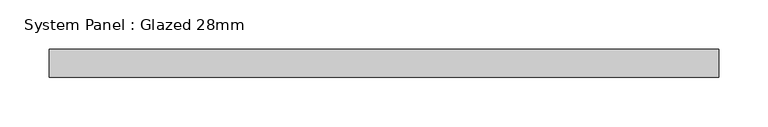
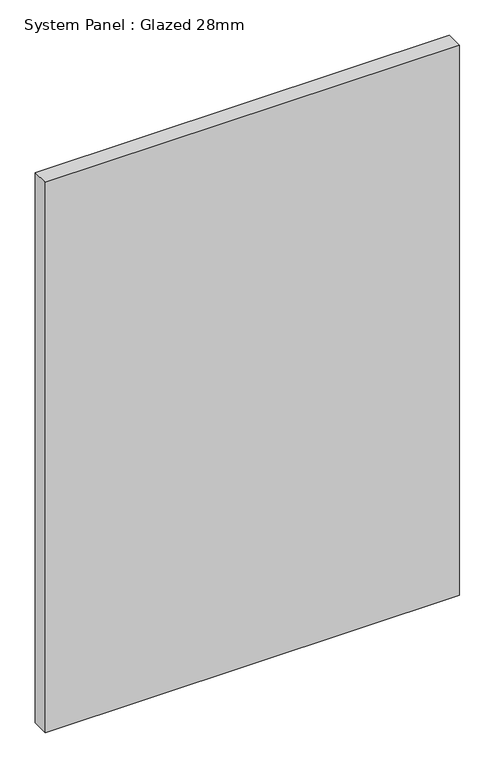
"""IFC4 building model written with IfcOpenShell, lengths in millimetres: plate geometry, System Panel : Glazed 28mm."""

import ifcopenshell
import ifcopenshell.guid

model = None  # the IFC model being written
_history = None  # IfcOwnerHistory: only IFC2X3 demands one
_inside = {}  # id of a spatial element -> (the spatial element, [elements in it])
_under = {}  # id of a project, library or spatial element -> (it, [spatial elements below it])
_declared = {}  # id of a project -> (the project, [libraries it declares])
_typed = {}  # id of a type object -> (the type object, [elements of that type])
_made_of = {}  # id of a material, layer set ... -> (it, [elements and type objects made of it])


def new_model(schema):
    """Start an empty IFC model of exactly this schema.

    Asked for "IFC4X3", IfcOpenShell would pick the latest addendum, in which some entities
    have other attributes; the version numbers below select the first issue.
    IFC2X3 requires an IfcOwnerHistory on every rooted entity: one is made here for all.
    """
    global model, _history
    if schema == "IFC4X3":
        model = ifcopenshell.file(schema_version=(4, 3, 0, 0))
    else:
        model = ifcopenshell.file(schema=schema)
    _inside.clear()
    _under.clear()
    _declared.clear()
    _typed.clear()
    _made_of.clear()
    _history = None
    if model.schema == "IFC2X3":
        org = make("IfcOrganization", Name="unknown")
        user = make(
            "IfcPersonAndOrganization",
            ThePerson=make("IfcPerson", FamilyName="unknown"),
            TheOrganization=org,
        )
        app = make(
            "IfcApplication",
            ApplicationDeveloper=org,
            Version="unknown",
            ApplicationFullName="unknown",
            ApplicationIdentifier="unknown",
        )
        _history = make(
            "IfcOwnerHistory",
            OwningUser=user,
            OwningApplication=app,
            ChangeAction="ADDED",
            CreationDate=0,
        )
    return model


def make(cls, **values):
    """One entity of the class cls with the attributes given. An attribute that is None is left unset."""
    return model.create_entity(
        cls, **{name: value for name, value in values.items() if value is not None}
    )


def rooted(cls, **values):
    """An entity with a GlobalId (a new one), such as an element, a storey or a relation."""
    return make(cls, GlobalId=ifcopenshell.guid.new(), OwnerHistory=_history, **values)


def si_unit(unit_type, name, prefix=None):
    """IfcSIUnit, for example si_unit("LENGTHUNIT", "METRE", prefix="MILLI")."""
    return make("IfcSIUnit", UnitType=unit_type, Prefix=prefix, Name=name)


def assignment(units):
    """IfcUnitAssignment: the units of a project."""
    return None if units is None else make("IfcUnitAssignment", Units=units)


def point(xyz):
    """IfcCartesianPoint."""
    return None if xyz is None else make("IfcCartesianPoint", Coordinates=xyz)


def direction(xyz):
    """IfcDirection."""
    return None if xyz is None else make("IfcDirection", DirectionRatios=xyz)


def frame(location, z_axis=None, x_axis=None):
    """IfcAxis2Placement3D, a coordinate frame: its origin and axes. An axis left out is left unset."""
    return make(
        "IfcAxis2Placement3D",
        Location=point(location),
        Axis=direction(z_axis),
        RefDirection=direction(x_axis),
    )


def origin():
    """The frame at (0, 0, 0) with its axes left unset."""
    return frame((0.0, 0.0, 0.0))


def origin_with_axes():
    """The frame at (0, 0, 0) with the z axis (0, 0, 1) and the x axis (1, 0, 0) written out."""
    return frame((0.0, 0.0, 0.0), z_axis=(0.0, 0.0, 1.0), x_axis=(1.0, 0.0, 0.0))


def place(relative_to, where):
    """IfcLocalPlacement: puts the frame where relative to a parent placement (None: the world)."""
    return make(
        "IfcLocalPlacement", PlacementRelTo=relative_to, RelativePlacement=where
    )


def context(
    kind, dimensions, precision=None, world=None, true_north=None, identifier=None
):
    """IfcGeometricRepresentationContext, for example the 3D "Model" context."""
    return make(
        "IfcGeometricRepresentationContext",
        ContextIdentifier=identifier,
        ContextType=kind,
        CoordinateSpaceDimension=dimensions,
        Precision=precision,
        WorldCoordinateSystem=world,
        TrueNorth=true_north,
    )


def project(units=None, contexts=None):
    """IfcProject with its units and contexts."""
    return rooted(
        "IfcProject",
        Name="project",
        RepresentationContexts=contexts,
        UnitsInContext=assignment(units),
    )


def spatial(cls, under=None, at=None, **own):
    """A site, building, storey or space (cls), placed at a placement, below another one or the project."""
    s = rooted(cls, ObjectPlacement=at, **own)
    if under is not None:
        _under.setdefault(under.id(), (under, []))[1].append(s)
    return s


def polyline(points):
    """IfcPolyline through the points."""
    return make("IfcPolyline", Points=[point(p) for p in points])


def outline(outer, holes=None, kind="AREA"):
    """IfcArbitraryClosedProfileDef: a profile drawn as a closed curve; with holes, ...WithVoids."""
    if holes is None:
        return make("IfcArbitraryClosedProfileDef", ProfileType=kind, OuterCurve=outer)
    return make(
        "IfcArbitraryProfileDefWithVoids",
        ProfileType=kind,
        OuterCurve=outer,
        InnerCurves=holes,
    )


def extrude(swept, where, along, depth):
    """IfcExtrudedAreaSolid: the profile swept, set in the frame where, extruded along a direction by depth."""
    return make(
        "IfcExtrudedAreaSolid",
        SweptArea=swept,
        Position=where,
        ExtrudedDirection=direction(along),
        Depth=depth,
    )


def shape(context_of_items, identifier, shape_type, items):
    """IfcShapeRepresentation: the items that make up one representation, for example the "Body"."""
    return make(
        "IfcShapeRepresentation",
        ContextOfItems=context_of_items,
        RepresentationIdentifier=identifier,
        RepresentationType=shape_type,
        Items=items,
    )


def source(mapping_origin, context_of_items, identifier, shape_type, items):
    """IfcRepresentationMap: a shape defined once, which mapped items show again and again."""
    return make(
        "IfcRepresentationMap",
        MappingOrigin=mapping_origin,
        MappedRepresentation=shape(context_of_items, identifier, shape_type, items),
    )


def transform(
    local_origin,
    x_axis=None,
    y_axis=None,
    z_axis=None,
    scale=None,
    scale2=None,
    scale3=None,
    uniform=True,
):
    """IfcCartesianTransformationOperator3D, or its non-uniform kind. x_axis, y_axis, z_axis: its Axis1, 2, 3."""
    if uniform:
        return make(
            "IfcCartesianTransformationOperator3D",
            Axis1=direction(x_axis),
            Axis2=direction(y_axis),
            LocalOrigin=point(local_origin),
            Scale=scale,
            Axis3=direction(z_axis),
        )
    return make(
        "IfcCartesianTransformationOperator3DnonUniform",
        Axis1=direction(x_axis),
        Axis2=direction(y_axis),
        LocalOrigin=point(local_origin),
        Scale=scale,
        Axis3=direction(z_axis),
        Scale2=scale2,
        Scale3=scale3,
    )


def mapped(mapping_source, mapping_target):
    """IfcMappedItem: shows the shape of a source again, moved by a transform."""
    return make(
        "IfcMappedItem", MappingSource=mapping_source, MappingTarget=mapping_target
    )


def made_of(thing, what):
    """Note that an element or type object is made of a material, layer set ...; save() writes the relation."""
    if what is not None:
        _made_of.setdefault(what.id(), (what, []))[1].append(thing)
    return thing


def element(
    cls,
    number,
    at=None,
    inside=None,
    cuts=None,
    type_object=None,
    material=None,
    context=None,
    identifier="Body",
    shape_type=None,
    held_by="IfcProductDefinitionShape",
    body=None,
    shapes=None,
    **own,
):
    """One element of the class cls, such as IfcWall. Its Tag is "e" and its number.

    at: its placement. inside: the storey or other place that contains it. cuts: it is an
    opening in that element (IfcRelVoidsElement). A single representation is given by context,
    identifier, shape_type and body (its items); several are given by shapes. held_by: the class
    of the entity that holds the representations. save() writes the other relations.
    """
    e = rooted(cls, Tag="e%d" % number, ObjectPlacement=at, **own)
    if body is not None:
        shapes = [shape(context, identifier, shape_type, body)]
    if shapes is not None:
        e.Representation = make(held_by, Representations=shapes)
    if inside is not None:
        _inside.setdefault(inside.id(), (inside, []))[1].append(e)
    if cuts is not None:
        rooted(
            "IfcRelVoidsElement", RelatingBuildingElement=cuts, RelatedOpeningElement=e
        )
    if type_object is not None:
        _typed.setdefault(type_object.id(), (type_object, []))[1].append(e)
    return made_of(e, material)


def aggregate(whole, parts):
    """IfcRelAggregates: a whole, such as a stair, and the parts it consists of."""
    return rooted("IfcRelAggregates", RelatingObject=whole, RelatedObjects=parts)


def save(model, path):
    """Write the relations noted so far, then the file.

    IfcRelAggregates (storeys below a building ...), IfcRelContainedInSpatialStructure (elements
    in a storey), IfcRelDefinesByType, IfcRelAssociatesMaterial and IfcRelDeclares: one each for
    every whole, place, type object, material and project.
    """
    for whole, parts in _under.values():
        aggregate(whole, parts)
    for where, things in _inside.values():
        rooted(
            "IfcRelContainedInSpatialStructure",
            RelatedElements=things,
            RelatingStructure=where,
        )
    for kind, things in _typed.values():
        rooted("IfcRelDefinesByType", RelatedObjects=things, RelatingType=kind)
    for what, things in _made_of.values():
        rooted("IfcRelAssociatesMaterial", RelatedObjects=things, RelatingMaterial=what)
    for by, libraries in _declared.values():
        rooted("IfcRelDeclares", RelatingContext=by, RelatedDefinitions=libraries)
    model.write(path)


def system_panel_glazed_28mm_27dcc4e3(model_context):
    return source(origin(), model_context, "Body", "SweptSolid", [
        extrude(outline(polyline([(337.9561669, -14.0), (-337.9561669, -14.0), (-337.9561669, 14.0), (337.9561669, 14.0), (337.9561669, -14.0)])), origin_with_axes(), (0.0, 0.0, 1.0), 948.6794583),
    ])


if __name__ == "__main__":
    model = new_model("IFC4")
    model_context = context("Model", 3, world=origin())
    ifc_project = project(units=[si_unit("LENGTHUNIT", "METRE", prefix="MILLI")], contexts=[model_context])
    site = spatial("IfcSite", under=ifc_project)
    building = spatial("IfcBuilding", under=site)
    placement = place(None, origin())
    system_panel_glazed_28mm_shape = system_panel_glazed_28mm_27dcc4e3(model_context)
    element("IfcPlate", 1, ObjectType="System Panel : Glazed 28mm", at=placement, inside=building, context=model_context, shape_type="MappedRepresentation", body=[
        mapped(system_panel_glazed_28mm_shape, transform((0.0, 0.0, 0.0), x_axis=(1.0, 0.0, 0.0), y_axis=(0.0, 1.0, 0.0), z_axis=(0.0, 0.0, 1.0))),
    ])
    save(model, "model.ifc")
